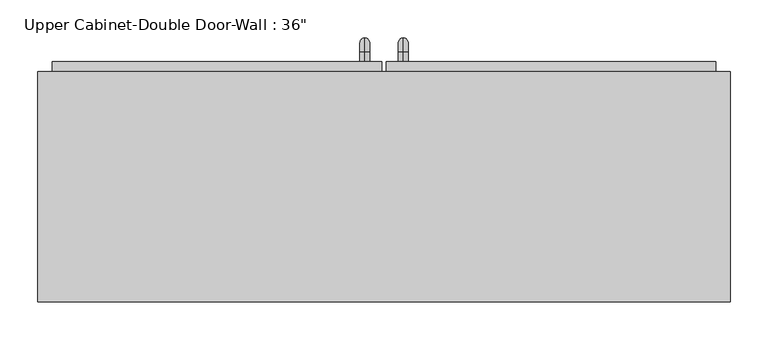
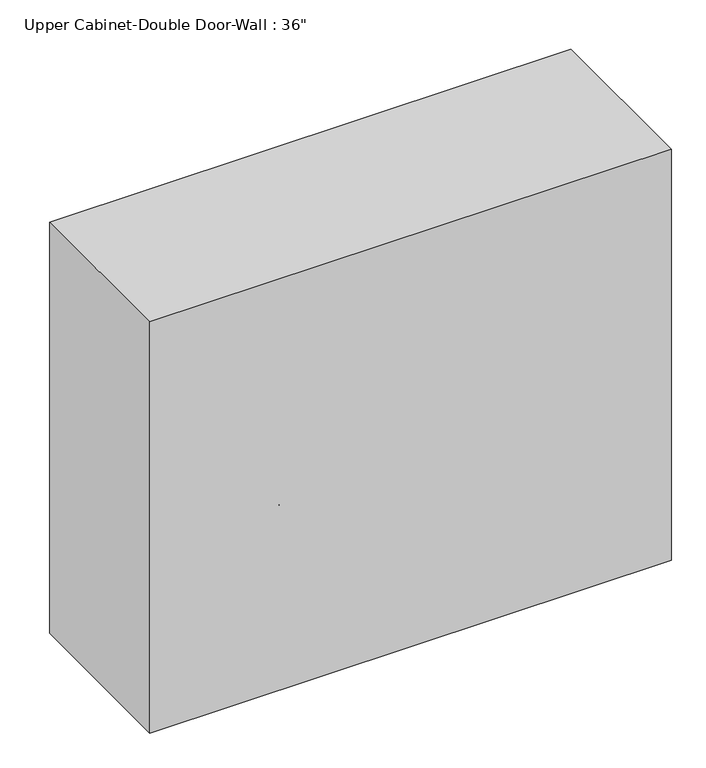
"""IFC4 building model written with IfcOpenShell, lengths in millimetres: furniture geometry."""

from ifc_helpers import new_model, si_unit, point, frame, origin, place, context, project, spatial, polyline, circle_curve, ellipse_curve, trimmed, outline, extrude, faceted_brep, source, transform, mapped, element, save
from ifc_brep_helpers import plane_surface, cylinder_surface, revolved_surface, advanced_brep


def furniture_f4a53973(model_context):
    return source(origin(), model_context, "Body", "SolidModel", [
        faceted_brep([(-427.4288372, 101.6, 2133.6), (-427.4288372, 101.6, 1371.6), (486.9711628, 101.6, 1371.6), (486.9711628, 101.6, 2133.6), (-427.4288372, 406.4, 2133.6), (486.9711628, 406.4, 2133.6), (486.9711628, 406.4, 1371.6), (-427.4288372, 406.4, 1371.6), (-408.3788372, 406.4, 2114.55), (-408.3788372, 406.4, 1390.65), (467.9211628, 406.4, 1390.65), (467.9211628, 406.4, 2114.55), (467.9211628, 120.65, 2114.55), (-408.3788372, 120.65, 2114.55), (467.9211628, 120.65, 1390.65), (-408.3788372, 120.65, 1390.65)], [[[0, 1, 2, 3]], [[4, 5, 6, 7], [8, 9, 10, 11]], [[1, 0, 4, 7]], [[2, 1, 7, 6]], [[3, 2, 6, 5]], [[0, 3, 5, 4]], [[8, 11, 12, 13]], [[11, 10, 14, 12]], [[10, 9, 15, 14]], [[9, 8, 13, 15]], [[13, 12, 14, 15]]]),
        advanced_brep(
        [(55.1711628, 419.1, 1517.65), (55.1711628, 419.1, 1530.35), (55.1711628, 431.8, 1517.65), (55.1711628, 431.8, 1530.35), (55.1711628, 450.85, 1511.3), (55.1711628, 438.15, 1511.3), (55.1711628, 438.15, 1435.1), (55.1711628, 450.85, 1435.1), (55.1711628, 431.8, 1416.05), (55.1711628, 431.8, 1428.75), (55.1711628, 419.1, 1428.75), (55.1711628, 419.1, 1416.05)],
        [
            (0, 1, circle_curve(frame((55.1711628, 419.1, 1524.0), z_axis=(0.0, -1.0, 0.0), x_axis=(0.0, 0.0, -1.0)), 6.35)),
            (1, 0, circle_curve(frame((55.1711628, 419.1, 1524.0), z_axis=(0.0, -1.0, 0.0), x_axis=(0.0, 0.0, -1.0)), 6.35)),
            (0, 2),
            (2, 3, circle_curve(frame((55.1711628, 431.8, 1524.0), z_axis=(0.0, -1.0, 0.0), x_axis=(0.0, 0.0, -1.0)), 6.35)),
            (3, 1),
            (3, 2, circle_curve(frame((55.1711628, 431.8, 1524.0), z_axis=(0.0, -1.0, 0.0), x_axis=(0.0, 0.0, -1.0)), 6.35)),
            (4, 3, circle_curve(frame((55.1711628, 431.8, 1511.3), z_axis=(1.0, 0.0, 0.0), x_axis=(0.0, 0.0, 1.0)), 19.05)),
            (2, 5, circle_curve(frame((55.1711628, 431.8, 1511.3), z_axis=(-1.0, 0.0, 0.0), x_axis=(0.0, 0.0, 1.0)), 6.35)),
            (5, 4, circle_curve(frame((55.1711628, 444.5, 1511.3), z_axis=(0.0, 0.0, 1.0), x_axis=(0.0, -1.0, 0.0)), 6.35)),
            (4, 5, circle_curve(frame((55.1711628, 444.5, 1511.3), z_axis=(0.0, 0.0, 1.0), x_axis=(0.0, -1.0, 0.0)), 6.35)),
            (5, 6),
            (6, 7, circle_curve(frame((55.1711628, 444.5, 1435.1), z_axis=(0.0, 0.0, 1.0), x_axis=(0.0, -1.0, 0.0)), 6.35)),
            (7, 4),
            (7, 6, circle_curve(frame((55.1711628, 444.5, 1435.1), z_axis=(0.0, 0.0, 1.0), x_axis=(0.0, -1.0, 0.0)), 6.35)),
            (8, 7, circle_curve(frame((55.1711628, 431.8, 1435.1), z_axis=(1.0, 0.0, 0.0), x_axis=(0.0, 1.0, 0.0)), 19.05)),
            (6, 9, circle_curve(frame((55.1711628, 431.8, 1435.1), z_axis=(-1.0, 0.0, 0.0), x_axis=(0.0, 1.0, 0.0)), 6.35)),
            (9, 8, circle_curve(frame((55.1711628, 431.8, 1422.4), z_axis=(0.0, 1.0, 0.0), x_axis=(0.0, 0.0, 1.0)), 6.35)),
            (8, 9, circle_curve(frame((55.1711628, 431.8, 1422.4), z_axis=(0.0, 1.0, 0.0), x_axis=(0.0, 0.0, 1.0)), 6.35)),
            (10, 11, circle_curve(frame((55.1711628, 419.1, 1422.4), z_axis=(0.0, -1.0, 0.0), x_axis=(0.0, 0.0, 1.0)), 6.35)),
            (11, 10, circle_curve(frame((55.1711628, 419.1, 1422.4), z_axis=(0.0, -1.0, 0.0), x_axis=(0.0, 0.0, 1.0)), 6.35)),
            (9, 10),
            (11, 8),
        ],
        [
            plane_surface(frame((48.8211628, 419.1, 1524.0), z_axis=(0.0, -1.0, 0.0), x_axis=(0.0, 0.0, 1.0))),
            cylinder_surface(frame((55.1711628, 419.1, 1524.0), z_axis=(0.0, -1.0, 0.0), x_axis=(0.0, 0.0, -1.0)), 6.35),
            revolved_surface(trimmed(ellipse_curve(frame((55.1711628, 431.8, 1524.0), z_axis=(0.0, -1.0, 0.0), x_axis=(0.0, 0.0, -1.0)), 6.35, 6.35), [point((55.1711628, 431.8, 1517.65))], [point((55.1711628, 431.8, 1530.35))], True, "CARTESIAN"), (55.1711628, 431.8, 1511.3), (-1.0, 0.0, 0.0)),
            revolved_surface(trimmed(ellipse_curve(frame((55.1711628, 431.8, 1524.0), z_axis=(0.0, -1.0, 0.0), x_axis=(0.0, 0.0, -1.0)), 6.35, 6.35), [point((55.1711628, 431.8, 1530.35))], [point((55.1711628, 431.8, 1517.65))], True, "CARTESIAN"), (55.1711628, 431.8, 1511.3), (-1.0, 0.0, 0.0)),
            cylinder_surface(frame((55.1711628, 444.5, 1511.3), z_axis=(0.0, 0.0, 1.0), x_axis=(0.0, -1.0, 0.0)), 6.35),
            revolved_surface(trimmed(ellipse_curve(frame((55.1711628, 444.5, 1435.1), z_axis=(0.0, 0.0, 1.0), x_axis=(0.0, -1.0, 0.0)), 6.35, 6.35), [point((55.1711628, 438.15, 1435.1))], [point((55.1711628, 450.85, 1435.1))], True, "CARTESIAN"), (55.1711628, 431.8, 1435.1), (-1.0, 0.0, 0.0)),
            revolved_surface(trimmed(ellipse_curve(frame((55.1711628, 444.5, 1435.1), z_axis=(0.0, 0.0, 1.0), x_axis=(0.0, -1.0, 0.0)), 6.35, 6.35), [point((55.1711628, 450.85, 1435.1))], [point((55.1711628, 438.15, 1435.1))], True, "CARTESIAN"), (55.1711628, 431.8, 1435.1), (-1.0, 0.0, 0.0)),
            plane_surface(frame((48.8211628, 419.1, 1422.4), z_axis=(0.0, -1.0, 0.0), x_axis=(0.0, 0.0, -1.0))),
            cylinder_surface(frame((55.1711628, 431.8, 1422.4), z_axis=(0.0, 1.0, 0.0), x_axis=(0.0, 0.0, 1.0)), 6.35),
        ],
        [
            (0, [[1, 2]]),
            (1, [[-1, 3, 4, 5]]),
            (1, [[-2, -5, 6, -3]]),
            (2, [[7, -4, 8, 9]]),
            (3, [[-8, -6, -7, 10]]),
            (4, [[-9, 11, 12, 13]]),
            (4, [[-10, -13, 14, -11]]),
            (5, [[15, -12, 16, 17]]),
            (6, [[-16, -14, -15, 18]]),
            (7, [[19, 20]]),
            (8, [[-17, 21, -20, 22]]),
            (8, [[-18, -22, -19, -21]]),
        ],
    ),
        advanced_brep(
        [(4.3711628, 419.1, 1517.65), (4.3711628, 419.1, 1530.35), (4.3711628, 431.8, 1517.65), (4.3711628, 431.8, 1530.35), (4.3711628, 450.85, 1511.3), (4.3711628, 438.15, 1511.3), (4.3711628, 438.15, 1435.1), (4.3711628, 450.85, 1435.1), (4.3711628, 431.8, 1416.05), (4.3711628, 431.8, 1428.75), (4.3711628, 419.1, 1428.75), (4.3711628, 419.1, 1416.05)],
        [
            (0, 1, circle_curve(frame((4.3711628, 419.1, 1524.0), z_axis=(0.0, -1.0, 0.0), x_axis=(0.0, 0.0, 1.0)), 6.35)),
            (1, 0, circle_curve(frame((4.3711628, 419.1, 1524.0), z_axis=(0.0, -1.0, 0.0), x_axis=(0.0, 0.0, 1.0)), 6.35)),
            (0, 2),
            (2, 3, circle_curve(frame((4.3711628, 431.8, 1524.0), z_axis=(0.0, -1.0, 0.0), x_axis=(0.0, 0.0, 1.0)), 6.35)),
            (3, 1),
            (3, 2, circle_curve(frame((4.3711628, 431.8, 1524.0), z_axis=(0.0, -1.0, 0.0), x_axis=(0.0, 0.0, 1.0)), 6.35)),
            (4, 3, circle_curve(frame((4.3711628, 431.8, 1511.3), z_axis=(1.0, 0.0, 0.0), x_axis=(0.0, 0.0, 1.0)), 19.05)),
            (2, 5, circle_curve(frame((4.3711628, 431.8, 1511.3), z_axis=(-1.0, 0.0, 0.0), x_axis=(0.0, 0.0, 1.0)), 6.35)),
            (5, 4, circle_curve(frame((4.3711628, 444.5, 1511.3), z_axis=(0.0, 0.0, 1.0), x_axis=(0.0, 1.0, 0.0)), 6.35)),
            (4, 5, circle_curve(frame((4.3711628, 444.5, 1511.3), z_axis=(0.0, 0.0, 1.0), x_axis=(0.0, 1.0, 0.0)), 6.35)),
            (5, 6),
            (6, 7, circle_curve(frame((4.3711628, 444.5, 1435.1), z_axis=(0.0, 0.0, 1.0), x_axis=(0.0, 1.0, 0.0)), 6.35)),
            (7, 4),
            (7, 6, circle_curve(frame((4.3711628, 444.5, 1435.1), z_axis=(0.0, 0.0, 1.0), x_axis=(0.0, 1.0, 0.0)), 6.35)),
            (8, 7, circle_curve(frame((4.3711628, 431.8, 1435.1), z_axis=(1.0, 0.0, 0.0), x_axis=(0.0, 1.0, 0.0)), 19.05)),
            (6, 9, circle_curve(frame((4.3711628, 431.8, 1435.1), z_axis=(-1.0, 0.0, 0.0), x_axis=(0.0, 1.0, 0.0)), 6.35)),
            (9, 8, circle_curve(frame((4.3711628, 431.8, 1422.4), z_axis=(0.0, 1.0, 0.0), x_axis=(0.0, 0.0, -1.0)), 6.35)),
            (8, 9, circle_curve(frame((4.3711628, 431.8, 1422.4), z_axis=(0.0, 1.0, 0.0), x_axis=(0.0, 0.0, -1.0)), 6.35)),
            (10, 11, circle_curve(frame((4.3711628, 419.1, 1422.4), z_axis=(0.0, -1.0, 0.0), x_axis=(0.0, 0.0, -1.0)), 6.35)),
            (11, 10, circle_curve(frame((4.3711628, 419.1, 1422.4), z_axis=(0.0, -1.0, 0.0), x_axis=(0.0, 0.0, -1.0)), 6.35)),
            (9, 10),
            (11, 8),
        ],
        [
            plane_surface(frame((-1.9788372, 419.1, 1524.0), z_axis=(0.0, -1.0, 0.0), x_axis=(0.0, 0.0, 1.0))),
            cylinder_surface(frame((4.3711628, 419.1, 1524.0), z_axis=(0.0, -1.0, 0.0), x_axis=(0.0, 0.0, 1.0)), 6.35),
            revolved_surface(trimmed(ellipse_curve(frame((4.3711628, 431.8, 1524.0), z_axis=(0.0, -1.0, 0.0), x_axis=(0.0, 0.0, 1.0)), 6.35, 6.35), [point((4.3711628, 431.8, 1517.65))], [point((4.3711628, 431.8, 1530.35))], True, "CARTESIAN"), (4.3711628, 431.8, 1511.3), (-1.0, 0.0, 0.0)),
            revolved_surface(trimmed(ellipse_curve(frame((4.3711628, 431.8, 1524.0), z_axis=(0.0, -1.0, 0.0), x_axis=(0.0, 0.0, 1.0)), 6.35, 6.35), [point((4.3711628, 431.8, 1530.35))], [point((4.3711628, 431.8, 1517.65))], True, "CARTESIAN"), (4.3711628, 431.8, 1511.3), (-1.0, 0.0, 0.0)),
            cylinder_surface(frame((4.3711628, 444.5, 1511.3), z_axis=(0.0, 0.0, 1.0), x_axis=(0.0, 1.0, 0.0)), 6.35),
            revolved_surface(trimmed(ellipse_curve(frame((4.3711628, 444.5, 1435.1), z_axis=(0.0, 0.0, 1.0), x_axis=(0.0, 1.0, 0.0)), 6.35, 6.35), [point((4.3711628, 438.15, 1435.1))], [point((4.3711628, 450.85, 1435.1))], True, "CARTESIAN"), (4.3711628, 431.8, 1435.1), (-1.0, 0.0, 0.0)),
            revolved_surface(trimmed(ellipse_curve(frame((4.3711628, 444.5, 1435.1), z_axis=(0.0, 0.0, 1.0), x_axis=(0.0, 1.0, 0.0)), 6.35, 6.35), [point((4.3711628, 450.85, 1435.1))], [point((4.3711628, 438.15, 1435.1))], True, "CARTESIAN"), (4.3711628, 431.8, 1435.1), (-1.0, 0.0, 0.0)),
            plane_surface(frame((-1.9788372, 419.1, 1422.4), z_axis=(0.0, -1.0, 0.0), x_axis=(0.0, 0.0, -1.0))),
            cylinder_surface(frame((4.3711628, 431.8, 1422.4), z_axis=(0.0, 1.0, 0.0), x_axis=(0.0, 0.0, -1.0)), 6.35),
        ],
        [
            (0, [[1, 2]]),
            (1, [[-1, 3, 4, 5]]),
            (1, [[-2, -5, 6, -3]]),
            (2, [[7, -4, 8, 9]]),
            (3, [[-8, -6, -7, 10]]),
            (4, [[-9, 11, 12, 13]]),
            (4, [[-10, -13, 14, -11]]),
            (5, [[15, -12, 16, 17]]),
            (6, [[-16, -14, -15, 18]]),
            (7, [[19, 20]]),
            (8, [[-17, 21, -20, 22]]),
            (8, [[-18, -22, -19, -21]]),
        ],
    ),
        extrude(outline(polyline([(32.9461628, 419.1), (467.9211628, 419.1), (467.9211628, 387.35), (32.9461628, 387.35), (32.9461628, 419.1)])), frame((0.0, 0.0, 1390.65), z_axis=(0.0, 0.0, 1.0), x_axis=(1.0, 0.0, 0.0)), (0.0, 0.0, 1.0), 723.9),
        extrude(outline(polyline([(-408.3788372, 419.1), (26.5961628, 419.1), (26.5961628, 387.35), (-408.3788372, 387.35), (-408.3788372, 419.1)])), frame((0.0, 0.0, 1390.65), z_axis=(0.0, 0.0, 1.0), x_axis=(1.0, 0.0, 0.0)), (0.0, 0.0, 1.0), 723.9),
    ])


if __name__ == "__main__":
    model = new_model("IFC4")
    model_context = context("Model", 3, world=origin())
    ifc_project = project(units=[si_unit("LENGTHUNIT", "METRE", prefix="MILLI")], contexts=[model_context])
    site = spatial("IfcSite", under=ifc_project)
    building = spatial("IfcBuilding", under=site)
    placement = place(None, origin())
    furniture_shape = furniture_f4a53973(model_context)
    element("IfcFurniture", 1, ObjectType="Upper Cabinet-Double Door-Wall : 36\"", at=placement, inside=building, context=model_context, shape_type="MappedRepresentation", body=[
        mapped(furniture_shape, transform((0.0, 0.0, 0.0), x_axis=(1.0, 0.0, 0.0), y_axis=(0.0, 1.0, 0.0), z_axis=(0.0, 0.0, 1.0))),
    ])
    save(model, "model.ifc")
